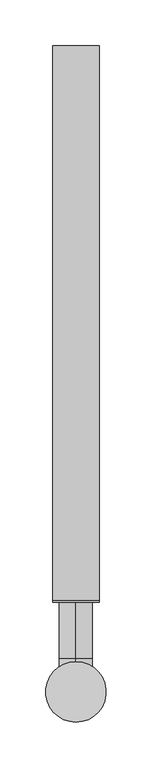
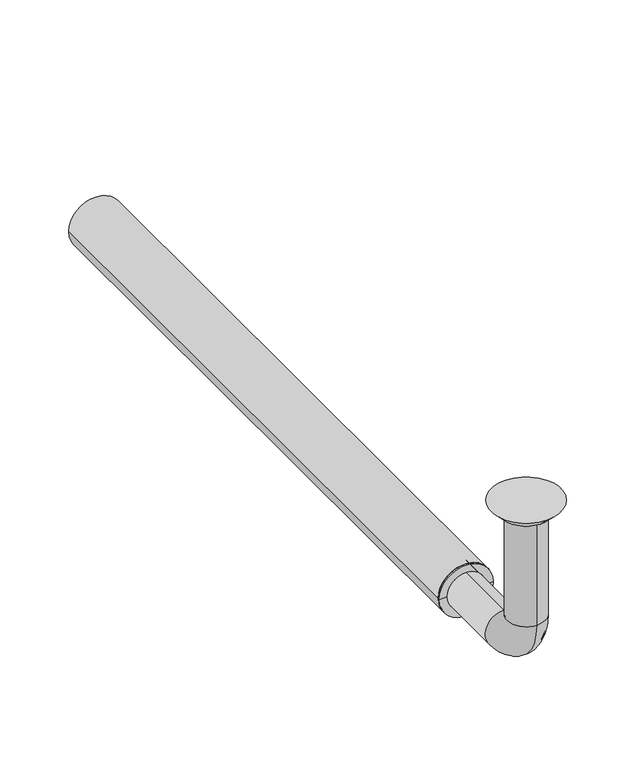
"""IFC4 building model written with IfcOpenShell, lengths in millimetres: beam geometry."""

from ifc_helpers import new_model, si_unit, point, frame, frame_2d, origin, place, context, project, spatial, polyline, circle_curve, ellipse_curve, trimmed, segment, composite_curve, outline, extrude, source, transform, mapped, element, save
from ifc_brep_helpers import plane_surface, cylinder_surface, revolved_surface, advanced_brep


def beam_bacf0710(model_context):
    return source(origin(), model_context, "Body", "SolidModel", [
        extrude(outline(composite_curve([segment(trimmed(circle_curve(frame_2d((-150.0, 0.0)), 25.5), [point((-150.0, 25.5))], [point((-150.0, -25.5))], False, "CARTESIAN"), True, "CONTINUOUS"), segment(trimmed(circle_curve(frame_2d((-150.0, 0.0)), 25.5), [point((-150.0, -25.5))], [point((-150.0, 25.5))], False, "CARTESIAN"), True, "CONTINUOUS")], self_intersect=False), holes=[composite_curve([segment(trimmed(circle_curve(frame_2d((-150.0, 0.0)), 22.5), [point((-150.0, 22.5))], [point((-150.0, -22.5))], True, "CARTESIAN"), True, "CONTINUOUS"), segment(trimmed(circle_curve(frame_2d((-150.0, 0.0)), 22.5), [point((-150.0, -22.5))], [point((-150.0, 22.5))], True, "CARTESIAN"), True, "CONTINUOUS")], self_intersect=False)]), frame((0.0, 100.0, 0.0), z_axis=(0.0, 1.0, 0.0), x_axis=(0.0, 0.0, 1.0)), (0.0, 0.0, 1.0), 605.0),
        advanced_brep(
        [(0.0, -18.0, -10.0), (0.0, 18.0, -10.0), (0.0, -17.0, -10.0), (0.0, 17.0, -10.0), (0.0, -18.0, -114.0), (0.0, 18.0, -114.0), (0.0, -17.0, -114.0), (0.0, 17.0, -114.0), (0.0, 36.0, -132.0), (0.0, 36.0, -168.0), (0.0, 36.0, -133.0), (0.0, 36.0, -167.0), (0.0, 123.0, -168.0), (0.0, 123.0, -132.0), (0.0, 123.0, -167.0), (0.0, 123.0, -133.0)],
        [
            (0, 1, circle_curve(frame((0.0, 0.0, -10.0), z_axis=(0.0, 0.0, 1.0), x_axis=(0.0, 1.0, 0.0)), 18.0)),
            (1, 0, circle_curve(frame((0.0, 0.0, -10.0), z_axis=(0.0, 0.0, 1.0), x_axis=(0.0, 1.0, 0.0)), 18.0)),
            (2, 3, circle_curve(frame((0.0, 0.0, -10.0), z_axis=(0.0, 0.0, -1.0), x_axis=(0.0, 1.0, 0.0)), 17.0)),
            (3, 2, circle_curve(frame((0.0, 0.0, -10.0), z_axis=(0.0, 0.0, -1.0), x_axis=(0.0, 1.0, 0.0)), 17.0)),
            (0, 4),
            (4, 5, circle_curve(frame((0.0, 0.0, -114.0), z_axis=(0.0, 0.0, 1.0), x_axis=(0.0, 1.0, 0.0)), 18.0)),
            (5, 1),
            (5, 4, circle_curve(frame((0.0, 0.0, -114.0), z_axis=(0.0, 0.0, 1.0), x_axis=(0.0, 1.0, 0.0)), 18.0)),
            (2, 6),
            (6, 7, circle_curve(frame((0.0, 0.0, -114.0), z_axis=(0.0, 0.0, -1.0), x_axis=(0.0, 1.0, 0.0)), 17.0)),
            (7, 3),
            (7, 6, circle_curve(frame((0.0, 0.0, -114.0), z_axis=(0.0, 0.0, -1.0), x_axis=(0.0, 1.0, 0.0)), 17.0)),
            (8, 5, circle_curve(frame((0.0, 36.0, -114.0), z_axis=(-1.0, 0.0, 0.0), x_axis=(0.0, -1.0, 0.0)), 18.0)),
            (4, 9, circle_curve(frame((0.0, 36.0, -114.0), z_axis=(1.0, 0.0, 0.0), x_axis=(0.0, -1.0, 0.0)), 54.0)),
            (9, 8, circle_curve(frame((0.0, 36.0, -150.0), z_axis=(0.0, -1.0, 0.0), x_axis=(0.0, 0.0, 1.0)), 18.0)),
            (8, 9, circle_curve(frame((0.0, 36.0, -150.0), z_axis=(0.0, -1.0, 0.0), x_axis=(0.0, 0.0, 1.0)), 18.0)),
            (10, 7, circle_curve(frame((0.0, 36.0, -114.0), z_axis=(-1.0, 0.0, 0.0), x_axis=(0.0, -1.0, 0.0)), 19.0)),
            (6, 11, circle_curve(frame((0.0, 36.0, -114.0), z_axis=(1.0, 0.0, 0.0), x_axis=(0.0, -1.0, 0.0)), 53.0)),
            (11, 10, circle_curve(frame((0.0, 36.0, -150.0), z_axis=(0.0, 1.0, 0.0), x_axis=(0.0, 0.0, 1.0)), 17.0)),
            (10, 11, circle_curve(frame((0.0, 36.0, -150.0), z_axis=(0.0, 1.0, 0.0), x_axis=(0.0, 0.0, 1.0)), 17.0)),
            (12, 13, circle_curve(frame((0.0, 123.0, -150.0), z_axis=(0.0, 1.0, 0.0), x_axis=(0.0, 0.0, 1.0)), 18.0)),
            (13, 12, circle_curve(frame((0.0, 123.0, -150.0), z_axis=(0.0, 1.0, 0.0), x_axis=(0.0, 0.0, 1.0)), 18.0)),
            (14, 15, circle_curve(frame((0.0, 123.0, -150.0), z_axis=(0.0, -1.0, 0.0), x_axis=(0.0, 0.0, 1.0)), 17.0)),
            (15, 14, circle_curve(frame((0.0, 123.0, -150.0), z_axis=(0.0, -1.0, 0.0), x_axis=(0.0, 0.0, 1.0)), 17.0)),
            (9, 12),
            (13, 8),
            (11, 14),
            (15, 10),
        ],
        [
            plane_surface(frame((0.0, 0.0, -10.0), z_axis=(0.0, 0.0, 1.0), x_axis=(1.0, 0.0, 0.0))),
            cylinder_surface(frame((0.0, 0.0, -10.0), z_axis=(0.0, 0.0, 1.0), x_axis=(0.0, 1.0, 0.0)), 18.0),
            revolved_surface(polyline([(0.0, 17.0, -114.0), (0.0, 17.0, -10.0)]), (0.0, 0.0, -10.0), (0.0, 0.0, -1.0)),
            revolved_surface(trimmed(ellipse_curve(frame((0.0, 0.0, -114.0), z_axis=(0.0, 0.0, 1.0), x_axis=(0.0, 1.0, 0.0)), 18.0, 18.0), [point((0.0, -18.0, -114.0))], [point((0.0, 18.0, -114.0))], True, "CARTESIAN"), (0.0, 36.0, -114.0), (1.0, 0.0, 0.0)),
            revolved_surface(trimmed(ellipse_curve(frame((0.0, 0.0, -114.0), z_axis=(0.0, 0.0, 1.0), x_axis=(0.0, 1.0, 0.0)), 18.0, 18.0), [point((0.0, 18.0, -114.0))], [point((0.0, -18.0, -114.0))], True, "CARTESIAN"), (0.0, 36.0, -114.0), (1.0, 0.0, 0.0)),
            revolved_surface(trimmed(ellipse_curve(frame((0.0, 0.0, -114.0), z_axis=(0.0, 0.0, -1.0), x_axis=(0.0, 1.0, 0.0)), 17.0, 17.0), [point((0.0, -17.0, -114.0))], [point((0.0, 17.0, -114.0))], True, "CARTESIAN"), (0.0, 36.0, -114.0), (1.0, 0.0, 0.0)),
            revolved_surface(trimmed(ellipse_curve(frame((0.0, 0.0, -114.0), z_axis=(0.0, 0.0, -1.0), x_axis=(0.0, 1.0, 0.0)), 17.0, 17.0), [point((0.0, 17.0, -114.0))], [point((0.0, -17.0, -114.0))], True, "CARTESIAN"), (0.0, 36.0, -114.0), (1.0, 0.0, 0.0)),
            plane_surface(frame((0.0, 123.0, -150.0), z_axis=(0.0, 1.0, 0.0), x_axis=(1.0, 0.0, 0.0))),
            cylinder_surface(frame((0.0, 36.0, -150.0), z_axis=(0.0, -1.0, 0.0), x_axis=(0.0, 0.0, 1.0)), 18.0),
            revolved_surface(polyline([(0.0, 123.0, -133.0), (0.0, 36.0, -133.0)]), (0.0, 36.0, -150.0), (0.0, 1.0, 0.0)),
        ],
        [
            (0, [[1, 2], [3, 4]]),
            (1, [[-1, 5, 6, 7]]),
            (1, [[-2, -7, 8, -5]]),
            (2, [[-3, 9, 10, 11]]),
            (2, [[-4, -11, 12, -9]]),
            (3, [[13, -6, 14, 15]]),
            (4, [[-14, -8, -13, 16]]),
            (5, [[17, -10, 18, 19]]),
            (6, [[-18, -12, -17, 20]]),
            (7, [[21, 22], [23, 24]]),
            (8, [[-15, 25, -22, 26]]),
            (8, [[-16, -26, -21, -25]]),
            (9, [[-19, 27, -24, 28]]),
            (9, [[-20, -28, -23, -27]]),
        ],
    ),
        advanced_brep(
        [(0.0, 23.0, -10.0), (0.0, -23.0, -10.0), (0.0, 33.0, 0.0), (0.0, -33.0, 0.0)],
        [
            (0, 1, circle_curve(frame((0.0, 0.0, -10.0), z_axis=(0.0, 0.0, -1.0), x_axis=(0.0, 1.0, 0.0)), 23.0)),
            (1, 0, circle_curve(frame((0.0, 0.0, -10.0), z_axis=(0.0, 0.0, -1.0), x_axis=(0.0, -1.0, 0.0)), 23.0)),
            (2, 3, circle_curve(frame((0.0, 0.0, 0.0), z_axis=(0.0, 0.0, 1.0), x_axis=(0.0, -1.0, 0.0)), 33.0)),
            (3, 2, circle_curve(frame((0.0, 0.0, 0.0), z_axis=(0.0, 0.0, 1.0), x_axis=(0.0, 1.0, 0.0)), 33.0)),
            (3, 1),
            (0, 2),
        ],
        [
            plane_surface(frame((0.0, 0.0, -10.0), z_axis=(0.0, 0.0, -1.0), x_axis=(-1.0, 0.0, 0.0))),
            plane_surface(frame((0.0, 0.0, 0.0), z_axis=(0.0, 0.0, 1.0), x_axis=(-1.0, 0.0, 0.0))),
            revolved_surface(polyline([(0.0, 23.0, -10.0), (0.0, 33.0, 0.0)]), (0.0, 0.0, -33.0), (0.0, 0.0, 1.0)),
            revolved_surface(polyline([(0.0, -23.0, -10.0), (0.0, -33.0, 0.0)]), (0.0, 0.0, -33.0), (0.0, 0.0, 1.0)),
        ],
        [
            (0, [[1, 2]]),
            (1, [[3, 4]]),
            (2, [[-4, 5, -1, 6]]),
            (3, [[-3, -6, -2, -5]]),
        ],
    ),
        advanced_brep(
        [(22.5, 100.0, -150.0), (-22.5, 100.0, -150.0), (-22.5, 123.0, -150.0), (22.5, 123.0, -150.0), (-18.0, 123.0, -150.0), (18.0, 123.0, -150.0), (-18.0, 98.0, -150.0), (18.0, 98.0, -150.0), (-25.5, 98.0, -150.0), (25.5, 98.0, -150.0), (-25.5, 100.0, -150.0), (25.5, 100.0, -150.0)],
        [
            (0, 1, circle_curve(frame((0.0, 100.0, -150.0), z_axis=(0.0, 1.0, 0.0), x_axis=(-1.0, 0.0, 0.0)), 22.5)),
            (1, 2),
            (2, 3, circle_curve(frame((0.0, 123.0, -150.0), z_axis=(0.0, -1.0, 0.0), x_axis=(-1.0, 0.0, 0.0)), 22.5)),
            (3, 0),
            (1, 0, circle_curve(frame((0.0, 100.0, -150.0), z_axis=(0.0, 1.0, 0.0), x_axis=(-1.0, 0.0, 0.0)), 22.5)),
            (3, 2, circle_curve(frame((0.0, 123.0, -150.0), z_axis=(0.0, -1.0, 0.0), x_axis=(-1.0, 0.0, 0.0)), 22.5)),
            (2, 4),
            (4, 5, circle_curve(frame((0.0, 123.0, -150.0), z_axis=(0.0, -1.0, 0.0), x_axis=(-1.0, 0.0, 0.0)), 18.0)),
            (5, 3),
            (5, 4, circle_curve(frame((0.0, 123.0, -150.0), z_axis=(0.0, -1.0, 0.0), x_axis=(-1.0, 0.0, 0.0)), 18.0)),
            (4, 6),
            (6, 7, circle_curve(frame((0.0, 98.0, -150.0), z_axis=(0.0, -1.0, 0.0), x_axis=(-1.0, 0.0, 0.0)), 18.0)),
            (7, 5),
            (7, 6, circle_curve(frame((0.0, 98.0, -150.0), z_axis=(0.0, -1.0, 0.0), x_axis=(-1.0, 0.0, 0.0)), 18.0)),
            (6, 8),
            (8, 9, circle_curve(frame((0.0, 98.0, -150.0), z_axis=(0.0, -1.0, 0.0), x_axis=(-1.0, 0.0, 0.0)), 25.5)),
            (9, 7),
            (9, 8, circle_curve(frame((0.0, 98.0, -150.0), z_axis=(0.0, -1.0, 0.0), x_axis=(-1.0, 0.0, 0.0)), 25.5)),
            (8, 10),
            (10, 11, circle_curve(frame((0.0, 100.0, -150.0), z_axis=(0.0, -1.0, 0.0), x_axis=(-1.0, 0.0, 0.0)), 25.5)),
            (11, 9),
            (11, 10, circle_curve(frame((0.0, 100.0, -150.0), z_axis=(0.0, -1.0, 0.0), x_axis=(-1.0, 0.0, 0.0)), 25.5)),
            (10, 1),
            (0, 11),
        ],
        [
            cylinder_surface(frame((0.0, 98.0, -150.0), z_axis=(0.0, -1.0, 0.0), x_axis=(-1.0, 0.0, 0.0)), 22.5),
            plane_surface(frame((0.0, 123.0, -150.0), z_axis=(0.0, 1.0, 0.0), x_axis=(-1.0, 0.0, 0.0))),
            revolved_surface(polyline([(-18.0, 98.0, -150.0), (-18.0, 123.0, -150.0)]), (0.0, 98.0, -150.0), (0.0, -1.0, 0.0)),
            plane_surface(frame((0.0, 98.0, -150.0), z_axis=(0.0, -1.0, 0.0), x_axis=(-1.0, 0.0, 0.0))),
            cylinder_surface(frame((0.0, 98.0, -150.0), z_axis=(0.0, -1.0, 0.0), x_axis=(-1.0, 0.0, 0.0)), 25.5),
            plane_surface(frame((0.0, 100.0, -150.0), z_axis=(0.0, 1.0, 0.0), x_axis=(-1.0, 0.0, 0.0))),
        ],
        [
            (0, [[1, 2, 3, 4]]),
            (0, [[5, -4, 6, -2]]),
            (1, [[-3, 7, 8, 9]]),
            (1, [[-6, -9, 10, -7]]),
            (2, [[-8, 11, 12, 13]]),
            (2, [[-10, -13, 14, -11]]),
            (3, [[-12, 15, 16, 17]]),
            (3, [[-14, -17, 18, -15]]),
            (4, [[-16, 19, 20, 21]]),
            (4, [[-18, -21, 22, -19]]),
            (5, [[-20, 23, -1, 24]]),
            (5, [[-22, -24, -5, -23]]),
        ],
    ),
    ])


if __name__ == "__main__":
    model = new_model("IFC4")
    model_context = context("Model", 3, world=origin())
    ifc_project = project(units=[si_unit("LENGTHUNIT", "METRE", prefix="MILLI")], contexts=[model_context])
    site = spatial("IfcSite", under=ifc_project)
    building = spatial("IfcBuilding", under=site)
    placement = place(None, origin())
    beam_shape = beam_bacf0710(model_context)
    element("IfcBeam", 1, at=placement, inside=building, context=model_context, shape_type="MappedRepresentation", body=[
        mapped(beam_shape, transform((0.0, 0.0, 0.0), x_axis=(1.0, 0.0, 0.0), y_axis=(0.0, 1.0, 0.0), z_axis=(0.0, 0.0, 1.0))),
    ])
    save(model, "model.ifc")
